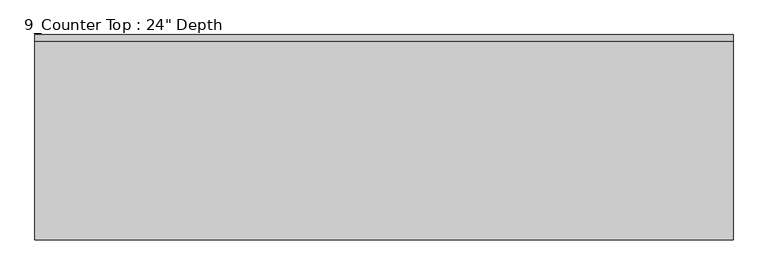
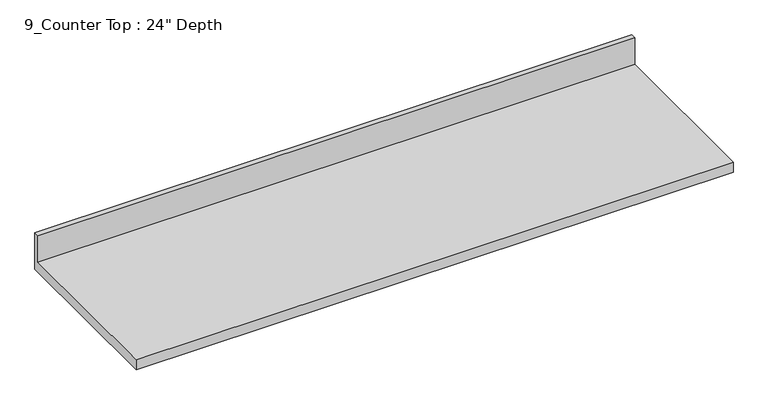
"""IFC4 building model written with IfcOpenShell, lengths in millimetres: furniture geometry."""

from ifc_helpers import new_model, si_unit, frame, origin, place, context, project, spatial, polyline, outline, extrude, source, transform, mapped, element, save


def furniture_68e6e118(model_context):
    return source(origin(), model_context, "Body", "SweptSolid", [
        extrude(outline(polyline([(0.0, 1016.0), (0.0, 876.3), (-635.0, 876.3), (-635.0, 914.4), (-19.05, 914.4), (-19.05, 1016.0), (0.0, 1016.0)])), frame((-1200.4622951, 0.0, 0.0), z_axis=(1.0, 0.0, 0.0), x_axis=(0.0, 1.0, 0.0)), (0.0, 0.0, 1.0), 2159.0005498),
    ])


if __name__ == "__main__":
    model = new_model("IFC4")
    model_context = context("Model", 3, world=origin())
    ifc_project = project(units=[si_unit("LENGTHUNIT", "METRE", prefix="MILLI")], contexts=[model_context])
    site = spatial("IfcSite", under=ifc_project)
    building = spatial("IfcBuilding", under=site)
    placement = place(None, origin())
    furniture_shape = furniture_68e6e118(model_context)
    element("IfcFurniture", 1, ObjectType="9_Counter Top : 24\" Depth", at=placement, inside=building, context=model_context, shape_type="MappedRepresentation", body=[
        mapped(furniture_shape, transform((0.0, 0.0, 0.0), x_axis=(1.0, 0.0, 0.0), y_axis=(0.0, 1.0, 0.0), z_axis=(0.0, 0.0, 1.0))),
    ])
    save(model, "model.ifc")
